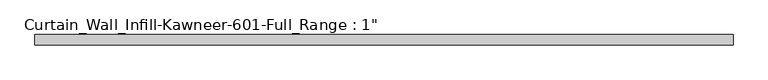
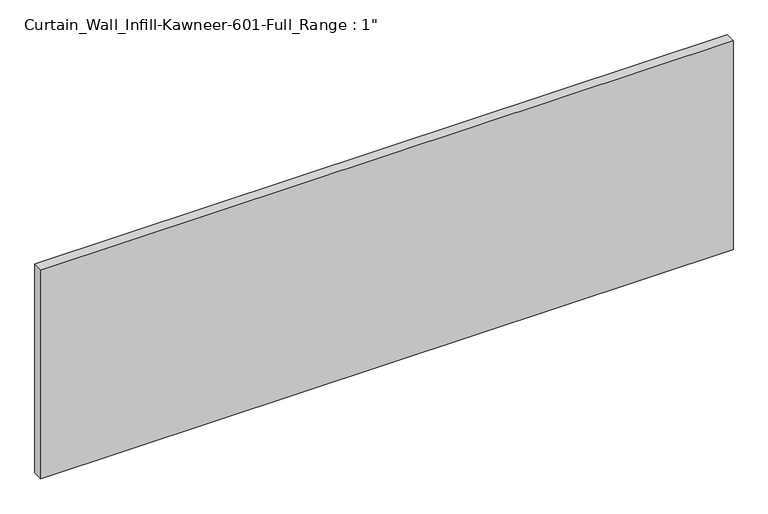
"""IFC4 building model written with IfcOpenShell, lengths in millimetres: plate geometry."""

from ifc_helpers import new_model, si_unit, origin, origin_with_axes, place, context, project, spatial, polyline, outline, extrude, source, transform, mapped, element, save


def plate_732122dd(model_context):
    return source(origin(), model_context, "Body", "SweptSolid", [
        extrude(outline(polyline([(-864.6583333, 12.7), (864.6583333, 12.7), (864.6583333, -12.7), (-864.6583333, -12.7), (-864.6583333, 12.7)])), origin_with_axes(), (0.0, 0.0, 1.0), 552.45),
    ])


if __name__ == "__main__":
    model = new_model("IFC4")
    model_context = context("Model", 3, world=origin())
    ifc_project = project(units=[si_unit("LENGTHUNIT", "METRE", prefix="MILLI")], contexts=[model_context])
    site = spatial("IfcSite", under=ifc_project)
    building = spatial("IfcBuilding", under=site)
    placement = place(None, origin())
    plate_shape = plate_732122dd(model_context)
    element("IfcPlate", 1, ObjectType="Curtain_Wall_Infill-Kawneer-601-Full_Range : 1\"", at=placement, inside=building, context=model_context, shape_type="MappedRepresentation", body=[
        mapped(plate_shape, transform((0.0, 0.0, 0.0), x_axis=(1.0, 0.0, 0.0), y_axis=(0.0, 1.0, 0.0), z_axis=(0.0, 0.0, 1.0))),
    ])
    save(model, "model.ifc")
